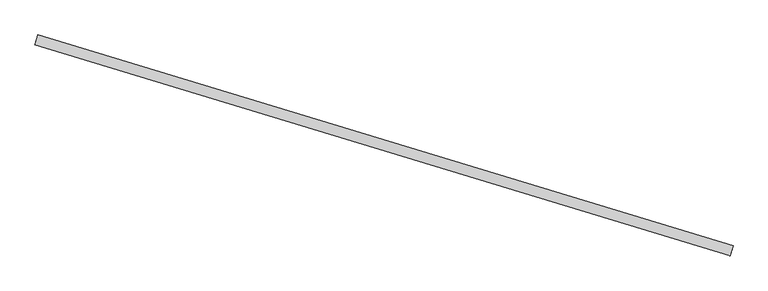
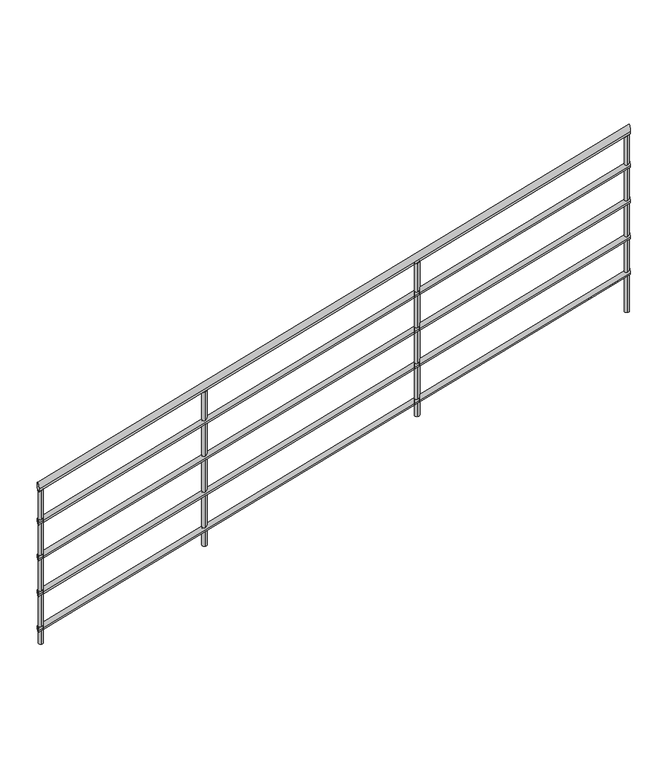
"""IFC4 building model written with IfcOpenShell, lengths in millimetres: railing geometry."""

from ifc_helpers import new_model, si_unit, frame, origin, place, context, project, spatial, circle_curve, ellipse_curve, source, transform, mapped, element, save
from ifc_brep_helpers import plane_surface, cylinder_surface, advanced_brep


def railing_62345911(model_context):
    return source(origin(), model_context, "Body", "AdvancedBrep", [
        advanced_brep(
        [(-13560.7864813, 7498.1915157, 872.7013799), (-13549.1665653, 7536.4665409, 872.7013799), (-16224.1740901, 8306.7694343, -685.6319534), (-16212.5541741, 8345.0444595, -685.6319534)],
        [
            (0, 1, ellipse_curve(frame((-13554.9765233, 7517.3290283, 872.7013799), z_axis=(0.9568756296362242, -0.29049789914606905, 0.0), x_axis=(0.0, 0.0, 1.0)), 22.9211358, 20.0)),
            (1, 0, ellipse_curve(frame((-13554.9765233, 7517.3290283, 872.7013799), z_axis=(0.9568756296362242, -0.29049789914606905, 0.0), x_axis=(0.0, 0.0, 1.0)), 22.9211358, 20.0)),
            (2, 3, ellipse_curve(frame((-16218.3641321, 8325.9069469, -685.6319534), z_axis=(-0.9568756296362242, 0.29049789914606905, 0.0), x_axis=(0.0, 0.0, 1.0)), 22.9211358, 20.0)),
            (3, 2, ellipse_curve(frame((-16218.3641321, 8325.9069469, -685.6319534), z_axis=(-0.9568756296362242, 0.29049789914606905, 0.0), x_axis=(0.0, 0.0, 1.0)), 22.9211358, 20.0)),
            (0, 2),
            (3, 1),
        ],
        [
            plane_surface(frame((-13554.9765233, 7517.3290283, 895.6225157), z_axis=(0.9568756296362242, -0.29049789914606905, 0.0), x_axis=(0.29049789914606905, 0.9568756296362242, 0.0))),
            plane_surface(frame((-16218.3641321, 8325.9069469, -662.7108176), z_axis=(-0.9568756296362242, 0.29049789914606905, 0.0), x_axis=(0.29049789914606905, 0.9568756296362242, 0.0))),
            cylinder_surface(frame((-13545.6276165, 7514.4907934, 878.1713735), z_axis=(0.8349286342476941, -0.25347600740762954, 0.48851211794792554), x_axis=(0.290497899146069, 0.9568756296362242, 0.0)), 20.0),
        ],
        [
            (0, [[1, 2]]),
            (1, [[3, 4]]),
            (2, [[-1, 5, -4, 6]]),
            (2, [[-2, -6, -3, -5]]),
        ],
    ),
        advanced_brep(
        [(-13559.3339918, 7502.9758939, 678.4316639), (-13550.6190548, 7531.6821627, 678.4316639), (-16222.7216006, 8311.5538125, -879.9016694), (-16214.0066636, 8340.2600813, -879.9016694)],
        [
            (0, 1, ellipse_curve(frame((-13554.9765233, 7517.3290283, 678.4316639), z_axis=(0.9568756296362242, -0.29049789914606905, 0.0), x_axis=(0.0, 0.0, 1.0)), 17.1908518, 15.0)),
            (1, 0, ellipse_curve(frame((-13554.9765233, 7517.3290283, 678.4316639), z_axis=(0.9568756296362242, -0.29049789914606905, 0.0), x_axis=(0.0, 0.0, 1.0)), 17.1908518, 15.0)),
            (2, 3, ellipse_curve(frame((-16218.3641321, 8325.9069469, -879.9016694), z_axis=(-0.9568756296362242, 0.29049789914606905, 0.0), x_axis=(0.0, 0.0, 1.0)), 17.1908518, 15.0)),
            (3, 2, ellipse_curve(frame((-16218.3641321, 8325.9069469, -879.9016694), z_axis=(-0.9568756296362242, 0.29049789914606905, 0.0), x_axis=(0.0, 0.0, 1.0)), 17.1908518, 15.0)),
            (0, 2),
            (3, 1),
        ],
        [
            plane_surface(frame((-13554.9765233, 7517.3290283, 695.6225157), z_axis=(0.9568756296362242, -0.29049789914606905, 0.0), x_axis=(0.29049789914606905, 0.9568756296362242, 0.0))),
            plane_surface(frame((-16218.3641321, 8325.9069469, -862.7108176), z_axis=(-0.9568756296362242, 0.29049789914606905, 0.0), x_axis=(0.29049789914606905, 0.9568756296362242, 0.0))),
            cylinder_surface(frame((-13547.9648432, 7515.2003521, 682.5341591), z_axis=(0.8349286342476941, -0.25347600740762954, 0.48851211794792554), x_axis=(0.290497899146069, 0.9568756296362242, 0.0)), 15.0),
        ],
        [
            (0, [[1, 2]]),
            (1, [[3, 4]]),
            (2, [[-1, 5, -4, 6]]),
            (2, [[-2, -6, -3, -5]]),
        ],
    ),
        advanced_brep(
        [(-13559.3339918, 7502.9758939, 478.4316639), (-13550.6190548, 7531.6821627, 478.4316639), (-16222.7216006, 8311.5538125, -1079.9016694), (-16214.0066636, 8340.2600813, -1079.9016694)],
        [
            (0, 1, ellipse_curve(frame((-13554.9765233, 7517.3290283, 478.4316639), z_axis=(0.9568756296362242, -0.29049789914606905, 0.0), x_axis=(0.0, 0.0, 1.0)), 17.1908518, 15.0)),
            (1, 0, ellipse_curve(frame((-13554.9765233, 7517.3290283, 478.4316639), z_axis=(0.9568756296362242, -0.29049789914606905, 0.0), x_axis=(0.0, 0.0, 1.0)), 17.1908518, 15.0)),
            (2, 3, ellipse_curve(frame((-16218.3641321, 8325.9069469, -1079.9016694), z_axis=(-0.9568756296362242, 0.29049789914606905, 0.0), x_axis=(0.0, 0.0, 1.0)), 17.1908518, 15.0)),
            (3, 2, ellipse_curve(frame((-16218.3641321, 8325.9069469, -1079.9016694), z_axis=(-0.9568756296362242, 0.29049789914606905, 0.0), x_axis=(0.0, 0.0, 1.0)), 17.1908518, 15.0)),
            (0, 2),
            (3, 1),
        ],
        [
            plane_surface(frame((-13554.9765233, 7517.3290283, 495.6225157), z_axis=(0.9568756296362242, -0.29049789914606905, 0.0), x_axis=(0.29049789914606905, 0.9568756296362242, 0.0))),
            plane_surface(frame((-16218.3641321, 8325.9069469, -1062.7108176), z_axis=(-0.9568756296362242, 0.29049789914606905, 0.0), x_axis=(0.29049789914606905, 0.9568756296362242, 0.0))),
            cylinder_surface(frame((-13547.9648432, 7515.2003521, 482.5341591), z_axis=(0.8349286342476941, -0.25347600740762954, 0.48851211794792554), x_axis=(0.290497899146069, 0.9568756296362242, 0.0)), 15.0),
        ],
        [
            (0, [[1, 2]]),
            (1, [[3, 4]]),
            (2, [[-1, 5, -4, 6]]),
            (2, [[-2, -6, -3, -5]]),
        ],
    ),
        advanced_brep(
        [(-13559.3339918, 7502.9758939, 278.4316639), (-13550.6190548, 7531.6821627, 278.4316639), (-16222.7216006, 8311.5538125, -1279.9016694), (-16214.0066636, 8340.2600813, -1279.9016694)],
        [
            (0, 1, ellipse_curve(frame((-13554.9765233, 7517.3290283, 278.4316639), z_axis=(0.9568756296362242, -0.29049789914606905, 0.0), x_axis=(0.0, 0.0, 1.0)), 17.1908518, 15.0)),
            (1, 0, ellipse_curve(frame((-13554.9765233, 7517.3290283, 278.4316639), z_axis=(0.9568756296362242, -0.29049789914606905, 0.0), x_axis=(0.0, 0.0, 1.0)), 17.1908518, 15.0)),
            (2, 3, ellipse_curve(frame((-16218.3641321, 8325.9069469, -1279.9016694), z_axis=(-0.9568756296362242, 0.29049789914606905, 0.0), x_axis=(0.0, 0.0, 1.0)), 17.1908518, 15.0)),
            (3, 2, ellipse_curve(frame((-16218.3641321, 8325.9069469, -1279.9016694), z_axis=(-0.9568756296362242, 0.29049789914606905, 0.0), x_axis=(0.0, 0.0, 1.0)), 17.1908518, 15.0)),
            (0, 2),
            (3, 1),
        ],
        [
            plane_surface(frame((-13554.9765233, 7517.3290283, 295.6225157), z_axis=(0.9568756296362242, -0.29049789914606905, 0.0), x_axis=(0.29049789914606905, 0.9568756296362242, 0.0))),
            plane_surface(frame((-16218.3641321, 8325.9069469, -1262.7108176), z_axis=(-0.9568756296362242, 0.29049789914606905, 0.0), x_axis=(0.29049789914606905, 0.9568756296362242, 0.0))),
            cylinder_surface(frame((-13547.9648432, 7515.2003521, 282.5341591), z_axis=(0.8349286342476941, -0.25347600740762954, 0.48851211794792554), x_axis=(0.290497899146069, 0.9568756296362242, 0.0)), 15.0),
        ],
        [
            (0, [[1, 2]]),
            (1, [[3, 4]]),
            (2, [[-1, 5, -4, 6]]),
            (2, [[-2, -6, -3, -5]]),
        ],
    ),
        advanced_brep(
        [(-13559.3339918, 7502.9758939, 78.4316639), (-13550.6190548, 7531.6821627, 78.4316639), (-16222.7216006, 8311.5538125, -1479.9016694), (-16214.0066636, 8340.2600813, -1479.9016694)],
        [
            (0, 1, ellipse_curve(frame((-13554.9765233, 7517.3290283, 78.4316639), z_axis=(0.9568756296362242, -0.29049789914606905, 0.0), x_axis=(0.0, 0.0, 1.0)), 17.1908518, 15.0)),
            (1, 0, ellipse_curve(frame((-13554.9765233, 7517.3290283, 78.4316639), z_axis=(0.9568756296362242, -0.29049789914606905, 0.0), x_axis=(0.0, 0.0, 1.0)), 17.1908518, 15.0)),
            (2, 3, ellipse_curve(frame((-16218.3641321, 8325.9069469, -1479.9016694), z_axis=(-0.9568756296362242, 0.29049789914606905, 0.0), x_axis=(0.0, 0.0, 1.0)), 17.1908518, 15.0)),
            (3, 2, ellipse_curve(frame((-16218.3641321, 8325.9069469, -1479.9016694), z_axis=(-0.9568756296362242, 0.29049789914606905, 0.0), x_axis=(0.0, 0.0, 1.0)), 17.1908518, 15.0)),
            (0, 2),
            (3, 1),
        ],
        [
            plane_surface(frame((-13554.9765233, 7517.3290283, 95.6225157), z_axis=(0.9568756296362242, -0.29049789914606905, 0.0), x_axis=(0.29049789914606905, 0.9568756296362242, 0.0))),
            plane_surface(frame((-16218.3641321, 8325.9069469, -1462.7108176), z_axis=(-0.9568756296362242, 0.29049789914606905, 0.0), x_axis=(0.29049789914606905, 0.9568756296362242, 0.0))),
            cylinder_surface(frame((-13547.9648432, 7515.2003521, 82.5341591), z_axis=(0.8349286342476941, -0.25347600740762954, 0.48851211794792554), x_axis=(0.290497899146069, 0.9568756296362242, 0.0)), 15.0),
        ],
        [
            (0, [[1, 2]]),
            (1, [[3, 4]]),
            (2, [[-1, 5, -4, 6]]),
            (2, [[-2, -6, -3, -5]]),
        ],
    ),
        advanced_brep(
        [(-15465.0965588, 8110.285772, -269.9450144), (-15465.0965588, 8110.285772, -1133.3333333), (-15472.3590063, 8086.3638812, -1133.3333333), (-15472.3590063, 8086.3638812, -269.9450144)],
        [
            (0, 1),
            (1, 2, circle_curve(frame((-15468.7277826, 8098.3248266, -1133.3333333), z_axis=(0.0, 0.0, 1.0), x_axis=(-0.290497899146069, -0.9568756296362242, 0.0)), 12.5)),
            (2, 3),
            (3, 0, ellipse_curve(frame((-15468.7277826, 8098.3248266, -269.9450144), z_axis=(0.46744534044634717, -0.14191174397126918, -0.8725571102329244), x_axis=(0.8349286342476939, -0.2534760074076295, 0.48851211794792576)), 14.3257099, 12.5)),
            (0, 3, ellipse_curve(frame((-15468.7277826, 8098.3248266, -269.9450144), z_axis=(0.46744534044634717, -0.14191174397126918, -0.8725571102329244), x_axis=(0.8349286342476939, -0.2534760074076295, 0.48851211794792576)), 14.3257099, 12.5)),
            (2, 1, circle_curve(frame((-15468.7277826, 8098.3248266, -1133.3333333), z_axis=(0.0, 0.0, 1.0), x_axis=(-0.290497899146069, -0.9568756296362242, 0.0)), 12.5)),
        ],
        [
            cylinder_surface(frame((-15468.7277826, 8098.3248266, -1233.3333333), z_axis=(0.0, 0.0, 1.0), x_axis=(-0.290497899146069, -0.9568756296362242, 0.0)), 12.5),
            plane_surface(frame((-15499.9121208, 8081.6653833, -283.9415802), z_axis=(-0.46744534044634717, 0.14191174397126918, 0.8725571102329244), x_axis=(0.290497899146069, 0.9568756296362242, 0.0))),
            plane_surface(frame((-15452.0683393, 8067.1404884, -1133.3333333), z_axis=(0.0, 0.0, -1.0), x_axis=(0.290497899146069, 0.9568756296362242, 0.0))),
        ],
        [
            (0, [[1, 2, 3, 4]]),
            (0, [[-1, 5, -3, 6]]),
            (1, [[-4, -5]]),
            (2, [[-2, -6]]),
        ],
    ),
        advanced_brep(
        [(-14508.2209292, 7819.7878728, 289.9176149), (-14508.2209292, 7819.7878728, -566.6666667), (-14515.4833767, 7795.8659821, -566.6666667), (-14515.4833767, 7795.8659821, 289.9176149)],
        [
            (0, 1),
            (1, 2, circle_curve(frame((-14511.8521529, 7807.8269274, -566.6666667), z_axis=(0.0, 0.0, 1.0), x_axis=(-0.290497899146069, -0.9568756296362242, 0.0)), 12.5)),
            (2, 3),
            (3, 0, ellipse_curve(frame((-14511.8521529, 7807.8269274, 289.9176149), z_axis=(0.46744534044634717, -0.14191174397126918, -0.8725571102329244), x_axis=(0.8349286342476939, -0.2534760074076295, 0.48851211794792576)), 14.3257099, 12.5)),
            (0, 3, ellipse_curve(frame((-14511.8521529, 7807.8269274, 289.9176149), z_axis=(0.46744534044634717, -0.14191174397126918, -0.8725571102329244), x_axis=(0.8349286342476939, -0.2534760074076295, 0.48851211794792576)), 14.3257099, 12.5)),
            (2, 1, circle_curve(frame((-14511.8521529, 7807.8269274, -566.6666667), z_axis=(0.0, 0.0, 1.0), x_axis=(-0.290497899146069, -0.9568756296362242, 0.0)), 12.5)),
        ],
        [
            cylinder_surface(frame((-14511.8521529, 7807.8269274, -666.6666667), z_axis=(0.0, 0.0, 1.0), x_axis=(-0.290497899146069, -0.9568756296362242, 0.0)), 12.5),
            plane_surface(frame((-14543.0364911, 7791.1674842, 275.9210491), z_axis=(-0.46744534044634717, 0.14191174397126918, 0.8725571102329244), x_axis=(0.290497899146069, 0.9568756296362242, 0.0))),
            plane_surface(frame((-14495.1927097, 7776.6425892, -566.6666667), z_axis=(0.0, 0.0, -1.0), x_axis=(0.290497899146069, 0.9568756296362242, 0.0))),
        ],
        [
            (0, [[1, 2, 3, 4]]),
            (0, [[-1, 5, -3, 6]]),
            (1, [[-4, -5]]),
            (2, [[-2, -6]]),
        ],
    ),
        advanced_brep(
        [(-16202.771963, 8334.2366685, -701.5548063), (-16202.771963, 8334.2366685, -1558.3333333), (-16210.0344105, 8310.3147778, -1558.3333333), (-16210.0344105, 8310.3147778, -701.5548063)],
        [
            (0, 1),
            (1, 2, circle_curve(frame((-16206.4031867, 8322.2757232, -1558.3333333), z_axis=(0.0, 0.0, 1.0), x_axis=(-0.290497899146069, -0.9568756296362242, 0.0)), 12.5)),
            (2, 3),
            (3, 0, ellipse_curve(frame((-16206.4031867, 8322.2757232, -701.5548063), z_axis=(0.46744534044634717, -0.14191174397126918, -0.8725571102329244), x_axis=(0.8349286342476939, -0.2534760074076295, 0.48851211794792576)), 14.3257099, 12.5)),
            (0, 3, ellipse_curve(frame((-16206.4031867, 8322.2757232, -701.5548063), z_axis=(0.46744534044634717, -0.14191174397126918, -0.8725571102329244), x_axis=(0.8349286342476939, -0.2534760074076295, 0.48851211794792576)), 14.3257099, 12.5)),
            (2, 1, circle_curve(frame((-16206.4031867, 8322.2757232, -1558.3333333), z_axis=(0.0, 0.0, 1.0), x_axis=(-0.290497899146069, -0.9568756296362242, 0.0)), 12.5)),
        ],
        [
            cylinder_surface(frame((-16206.4031867, 8322.2757232, -1658.3333333), z_axis=(0.0, 0.0, 1.0), x_axis=(-0.290497899146069, -0.9568756296362242, 0.0)), 12.5),
            plane_surface(frame((-16237.587525, 8305.6162799, -715.551372), z_axis=(-0.46744534044634717, 0.14191174397126918, 0.8725571102329244), x_axis=(0.290497899146069, 0.9568756296362242, 0.0))),
            plane_surface(frame((-16189.7437435, 8291.0913849, -1558.3333333), z_axis=(0.0, 0.0, -1.0), x_axis=(0.290497899146069, 0.9568756296362242, 0.0))),
        ],
        [
            (0, [[1, 2, 3, 4]]),
            (0, [[-1, 5, -3, 6]]),
            (1, [[-4, -5]]),
            (2, [[-2, -6]]),
        ],
    ),
        advanced_brep(
        [(-13563.3062449, 7532.9211974, 842.7819613), (-13563.3062449, 7532.9211974, -141.6666667), (-13570.5686924, 7508.9993067, -141.6666667), (-13570.5686924, 7508.9993067, 842.7819613)],
        [
            (0, 1),
            (1, 2, circle_curve(frame((-13566.9374687, 7520.960252, -141.6666667), z_axis=(0.0, 0.0, 1.0), x_axis=(-0.290497899146069, -0.9568756296362242, 0.0)), 12.5)),
            (2, 3),
            (3, 0, ellipse_curve(frame((-13566.9374687, 7520.960252, 842.7819613), z_axis=(0.46744534044634717, -0.14191174397126918, -0.8725571102329244), x_axis=(0.8349286342476939, -0.2534760074076295, 0.48851211794792576)), 14.3257099, 12.5)),
            (0, 3, ellipse_curve(frame((-13566.9374687, 7520.960252, 842.7819613), z_axis=(0.46744534044634717, -0.14191174397126918, -0.8725571102329244), x_axis=(0.8349286342476939, -0.2534760074076295, 0.48851211794792576)), 14.3257099, 12.5)),
            (2, 1, circle_curve(frame((-13566.9374687, 7520.960252, -141.6666667), z_axis=(0.0, 0.0, 1.0), x_axis=(-0.290497899146069, -0.9568756296362242, 0.0)), 12.5)),
        ],
        [
            cylinder_surface(frame((-13566.9374687, 7520.960252, -241.6666667), z_axis=(0.0, 0.0, 1.0), x_axis=(-0.290497899146069, -0.9568756296362242, 0.0)), 12.5),
            plane_surface(frame((-13598.1218069, 7504.3008088, 828.7853956), z_axis=(-0.46744534044634717, 0.14191174397126918, 0.8725571102329244), x_axis=(0.290497899146069, 0.9568756296362242, 0.0))),
            plane_surface(frame((-13550.2780254, 7489.7759138, -141.6666667), z_axis=(0.0, 0.0, -1.0), x_axis=(0.290497899146069, 0.9568756296362242, 0.0))),
        ],
        [
            (0, [[1, 2, 3, 4]]),
            (0, [[-1, 5, -3, 6]]),
            (1, [[-4, -5]]),
            (2, [[-2, -6]]),
        ],
    ),
    ])


if __name__ == "__main__":
    model = new_model("IFC4")
    model_context = context("Model", 3, world=origin())
    ifc_project = project(units=[si_unit("LENGTHUNIT", "METRE", prefix="MILLI")], contexts=[model_context])
    site = spatial("IfcSite", under=ifc_project)
    building = spatial("IfcBuilding", under=site)
    placement = place(None, origin())
    railing_shape = railing_62345911(model_context)
    element("IfcRailing", 1, at=placement, inside=building, context=model_context, shape_type="MappedRepresentation", body=[
        mapped(railing_shape, transform((0.0, 0.0, 0.0), x_axis=(1.0, 0.0, 0.0), y_axis=(0.0, 1.0, 0.0), z_axis=(0.0, 0.0, 1.0))),
    ])
    save(model, "model.ifc")
